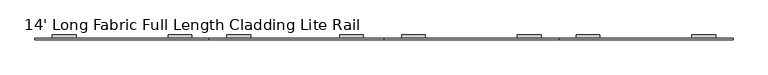
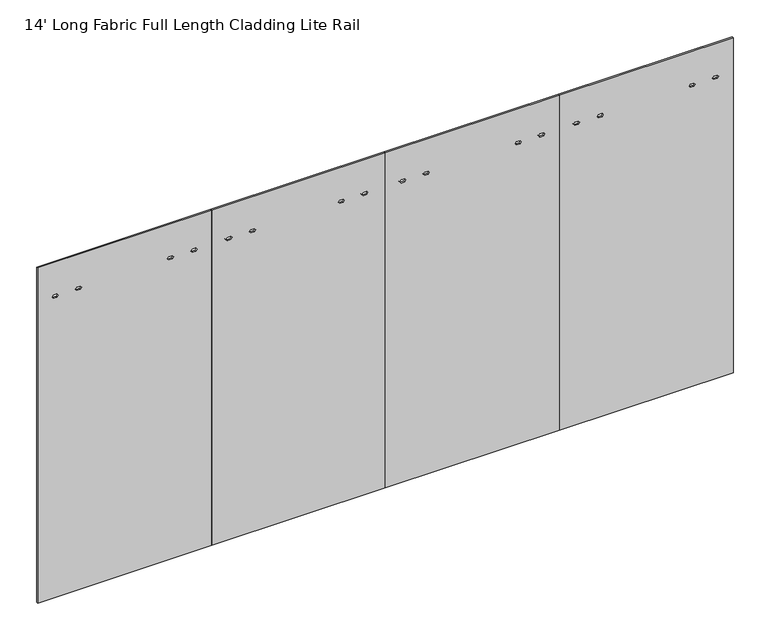
"""IFC4 building model written with IfcOpenShell, lengths in millimetres: furniture geometry, 14' Long Fabric Full Length Cladding Lite Rail."""

import ifcopenshell
import ifcopenshell.guid

model = None  # the IFC model being written
_history = None  # IfcOwnerHistory: only IFC2X3 demands one
_inside = {}  # id of a spatial element -> (the spatial element, [elements in it])
_under = {}  # id of a project, library or spatial element -> (it, [spatial elements below it])
_declared = {}  # id of a project -> (the project, [libraries it declares])
_typed = {}  # id of a type object -> (the type object, [elements of that type])
_made_of = {}  # id of a material, layer set ... -> (it, [elements and type objects made of it])


def new_model(schema):
    """Start an empty IFC model of exactly this schema.

    Asked for "IFC4X3", IfcOpenShell would pick the latest addendum, in which some entities
    have other attributes; the version numbers below select the first issue.
    IFC2X3 requires an IfcOwnerHistory on every rooted entity: one is made here for all.
    """
    global model, _history
    if schema == "IFC4X3":
        model = ifcopenshell.file(schema_version=(4, 3, 0, 0))
    else:
        model = ifcopenshell.file(schema=schema)
    _inside.clear()
    _under.clear()
    _declared.clear()
    _typed.clear()
    _made_of.clear()
    _history = None
    if model.schema == "IFC2X3":
        org = make("IfcOrganization", Name="unknown")
        user = make(
            "IfcPersonAndOrganization",
            ThePerson=make("IfcPerson", FamilyName="unknown"),
            TheOrganization=org,
        )
        app = make(
            "IfcApplication",
            ApplicationDeveloper=org,
            Version="unknown",
            ApplicationFullName="unknown",
            ApplicationIdentifier="unknown",
        )
        _history = make(
            "IfcOwnerHistory",
            OwningUser=user,
            OwningApplication=app,
            ChangeAction="ADDED",
            CreationDate=0,
        )
    return model


def make(cls, **values):
    """One entity of the class cls with the attributes given. An attribute that is None is left unset."""
    return model.create_entity(
        cls, **{name: value for name, value in values.items() if value is not None}
    )


def rooted(cls, **values):
    """An entity with a GlobalId (a new one), such as an element, a storey or a relation."""
    return make(cls, GlobalId=ifcopenshell.guid.new(), OwnerHistory=_history, **values)


def si_unit(unit_type, name, prefix=None):
    """IfcSIUnit, for example si_unit("LENGTHUNIT", "METRE", prefix="MILLI")."""
    return make("IfcSIUnit", UnitType=unit_type, Prefix=prefix, Name=name)


def assignment(units):
    """IfcUnitAssignment: the units of a project."""
    return None if units is None else make("IfcUnitAssignment", Units=units)


def point(xyz):
    """IfcCartesianPoint."""
    return None if xyz is None else make("IfcCartesianPoint", Coordinates=xyz)


def direction(xyz):
    """IfcDirection."""
    return None if xyz is None else make("IfcDirection", DirectionRatios=xyz)


def frame(location, z_axis=None, x_axis=None):
    """IfcAxis2Placement3D, a coordinate frame: its origin and axes. An axis left out is left unset."""
    return make(
        "IfcAxis2Placement3D",
        Location=point(location),
        Axis=direction(z_axis),
        RefDirection=direction(x_axis),
    )


def origin():
    """The frame at (0, 0, 0) with its axes left unset."""
    return frame((0.0, 0.0, 0.0))


def place(relative_to, where):
    """IfcLocalPlacement: puts the frame where relative to a parent placement (None: the world)."""
    return make(
        "IfcLocalPlacement", PlacementRelTo=relative_to, RelativePlacement=where
    )


def context(
    kind, dimensions, precision=None, world=None, true_north=None, identifier=None
):
    """IfcGeometricRepresentationContext, for example the 3D "Model" context."""
    return make(
        "IfcGeometricRepresentationContext",
        ContextIdentifier=identifier,
        ContextType=kind,
        CoordinateSpaceDimension=dimensions,
        Precision=precision,
        WorldCoordinateSystem=world,
        TrueNorth=true_north,
    )


def project(units=None, contexts=None):
    """IfcProject with its units and contexts."""
    return rooted(
        "IfcProject",
        Name="project",
        RepresentationContexts=contexts,
        UnitsInContext=assignment(units),
    )


def spatial(cls, under=None, at=None, **own):
    """A site, building, storey or space (cls), placed at a placement, below another one or the project."""
    s = rooted(cls, ObjectPlacement=at, **own)
    if under is not None:
        _under.setdefault(under.id(), (under, []))[1].append(s)
    return s


def polyline(points):
    """IfcPolyline through the points."""
    return make("IfcPolyline", Points=[point(p) for p in points])


def outline(outer, holes=None, kind="AREA"):
    """IfcArbitraryClosedProfileDef: a profile drawn as a closed curve; with holes, ...WithVoids."""
    if holes is None:
        return make("IfcArbitraryClosedProfileDef", ProfileType=kind, OuterCurve=outer)
    return make(
        "IfcArbitraryProfileDefWithVoids",
        ProfileType=kind,
        OuterCurve=outer,
        InnerCurves=holes,
    )


def extrude(swept, where, along, depth):
    """IfcExtrudedAreaSolid: the profile swept, set in the frame where, extruded along a direction by depth."""
    return make(
        "IfcExtrudedAreaSolid",
        SweptArea=swept,
        Position=where,
        ExtrudedDirection=direction(along),
        Depth=depth,
    )


def shape(context_of_items, identifier, shape_type, items):
    """IfcShapeRepresentation: the items that make up one representation, for example the "Body"."""
    return make(
        "IfcShapeRepresentation",
        ContextOfItems=context_of_items,
        RepresentationIdentifier=identifier,
        RepresentationType=shape_type,
        Items=items,
    )


def source(mapping_origin, context_of_items, identifier, shape_type, items):
    """IfcRepresentationMap: a shape defined once, which mapped items show again and again."""
    return make(
        "IfcRepresentationMap",
        MappingOrigin=mapping_origin,
        MappedRepresentation=shape(context_of_items, identifier, shape_type, items),
    )


def transform(
    local_origin,
    x_axis=None,
    y_axis=None,
    z_axis=None,
    scale=None,
    scale2=None,
    scale3=None,
    uniform=True,
):
    """IfcCartesianTransformationOperator3D, or its non-uniform kind. x_axis, y_axis, z_axis: its Axis1, 2, 3."""
    if uniform:
        return make(
            "IfcCartesianTransformationOperator3D",
            Axis1=direction(x_axis),
            Axis2=direction(y_axis),
            LocalOrigin=point(local_origin),
            Scale=scale,
            Axis3=direction(z_axis),
        )
    return make(
        "IfcCartesianTransformationOperator3DnonUniform",
        Axis1=direction(x_axis),
        Axis2=direction(y_axis),
        LocalOrigin=point(local_origin),
        Scale=scale,
        Axis3=direction(z_axis),
        Scale2=scale2,
        Scale3=scale3,
    )


def mapped(mapping_source, mapping_target):
    """IfcMappedItem: shows the shape of a source again, moved by a transform."""
    return make(
        "IfcMappedItem", MappingSource=mapping_source, MappingTarget=mapping_target
    )


def made_of(thing, what):
    """Note that an element or type object is made of a material, layer set ...; save() writes the relation."""
    if what is not None:
        _made_of.setdefault(what.id(), (what, []))[1].append(thing)
    return thing


def element(
    cls,
    number,
    at=None,
    inside=None,
    cuts=None,
    type_object=None,
    material=None,
    context=None,
    identifier="Body",
    shape_type=None,
    held_by="IfcProductDefinitionShape",
    body=None,
    shapes=None,
    **own,
):
    """One element of the class cls, such as IfcWall. Its Tag is "e" and its number.

    at: its placement. inside: the storey or other place that contains it. cuts: it is an
    opening in that element (IfcRelVoidsElement). A single representation is given by context,
    identifier, shape_type and body (its items); several are given by shapes. held_by: the class
    of the entity that holds the representations. save() writes the other relations.
    """
    e = rooted(cls, Tag="e%d" % number, ObjectPlacement=at, **own)
    if body is not None:
        shapes = [shape(context, identifier, shape_type, body)]
    if shapes is not None:
        e.Representation = make(held_by, Representations=shapes)
    if inside is not None:
        _inside.setdefault(inside.id(), (inside, []))[1].append(e)
    if cuts is not None:
        rooted(
            "IfcRelVoidsElement", RelatingBuildingElement=cuts, RelatedOpeningElement=e
        )
    if type_object is not None:
        _typed.setdefault(type_object.id(), (type_object, []))[1].append(e)
    return made_of(e, material)


def aggregate(whole, parts):
    """IfcRelAggregates: a whole, such as a stair, and the parts it consists of."""
    return rooted("IfcRelAggregates", RelatingObject=whole, RelatedObjects=parts)


def save(model, path):
    """Write the relations noted so far, then the file.

    IfcRelAggregates (storeys below a building ...), IfcRelContainedInSpatialStructure (elements
    in a storey), IfcRelDefinesByType, IfcRelAssociatesMaterial and IfcRelDeclares: one each for
    every whole, place, type object, material and project.
    """
    for whole, parts in _under.values():
        aggregate(whole, parts)
    for where, things in _inside.values():
        rooted(
            "IfcRelContainedInSpatialStructure",
            RelatedElements=things,
            RelatingStructure=where,
        )
    for kind, things in _typed.values():
        rooted("IfcRelDefinesByType", RelatedObjects=things, RelatingType=kind)
    for what, things in _made_of.values():
        rooted("IfcRelAssociatesMaterial", RelatedObjects=things, RelatingMaterial=what)
    for by, libraries in _declared.values():
        rooted("IfcRelDeclares", RelatingContext=by, RelatedDefinitions=libraries)
    model.write(path)


def furniture_14_long_fabric_full_length_cladding_lite_rail_12fab5a1(model_context):
    return source(origin(), model_context, "Body", "SweptSolid", [
        extrude(outline(polyline([(12.7, 2133.6), (12.7, 3200.4), (2186.3010468, 3200.4), (2186.3010468, 2133.6), (12.7, 2133.6)]), holes=[polyline([(1976.39305, 2229.674372), (1976.39305, 2251.6855937), (1966.39815, 2259.7299829), (1956.40325, 2251.6855937), (1956.40325, 2229.674372), (1966.39815, 2221.6299829), (1976.39305, 2229.674372)]), polyline([(1976.39305, 2374.0943722), (1976.39305, 2396.1055938), (1966.39815, 2404.149983), (1956.40325, 2396.1055938), (1956.40325, 2374.0943722), (1966.39815, 2366.049983), (1976.39305, 2374.0943722)]), polyline([(1976.39305, 2937.8944062), (1976.39305, 2959.9056278), (1966.39815, 2967.950017), (1956.40325, 2959.9056278), (1956.40325, 2937.8944062), (1966.39815, 2929.850017), (1976.39305, 2937.8944062)]), polyline([(1976.39305, 3082.3144063), (1976.39305, 3104.325628), (1966.39815, 3112.3700171), (1956.40325, 3104.325628), (1956.40325, 3082.3144063), (1966.39815, 3074.2700171), (1976.39305, 3082.3144063)])]), frame((0.0, -4.7752, 0.0), z_axis=(0.0, 1.0, 0.0), x_axis=(0.0, 0.0, 1.0)), (0.0, 0.0, 1.0), 9.525),
        extrude(outline(polyline([(12.7, 2133.6), (2186.3010468, 2133.6), (2186.3010468, 1066.8), (12.7, 1066.8), (12.7, 2133.6)]), holes=[polyline([(1976.39305, 1162.874372), (1976.39305, 1184.8855937), (1966.39815, 1192.9299829), (1956.40325, 1184.8855937), (1956.40325, 1162.874372), (1966.39815, 1154.8299829), (1976.39305, 1162.874372)]), polyline([(1976.39305, 1307.2943722), (1976.39305, 1329.3055938), (1966.39815, 1337.349983), (1956.40325, 1329.3055938), (1956.40325, 1307.2943722), (1966.39815, 1299.249983), (1976.39305, 1307.2943722)]), polyline([(1976.39305, 1852.0444062), (1976.39305, 1874.0556278), (1966.39815, 1882.100017), (1956.40325, 1874.0556278), (1956.40325, 1852.0444062), (1966.39815, 1844.000017), (1976.39305, 1852.0444062)]), polyline([(1976.39305, 1996.4644063), (1976.39305, 2018.475628), (1966.39815, 2026.5200171), (1956.40325, 2018.475628), (1956.40325, 1996.4644063), (1966.39815, 1988.4200171), (1976.39305, 1996.4644063)])]), frame((0.0, -4.7752, 0.0), z_axis=(0.0, 1.0, 0.0), x_axis=(0.0, 0.0, 1.0)), (0.0, 0.0, 1.0), 9.525),
        extrude(outline(polyline([(12.7, 4267.2), (2186.3010468, 4267.2), (2186.3010468, 3200.4), (12.7, 3200.4), (12.7, 4267.2)]), holes=[polyline([(1976.39305, 3296.474372), (1976.39305, 3318.4855937), (1966.39815, 3326.5299829), (1956.40325, 3318.4855937), (1956.40325, 3296.474372), (1966.39815, 3288.4299829), (1976.39305, 3296.474372)]), polyline([(1976.39305, 3440.8943722), (1976.39305, 3462.9055938), (1966.39815, 3470.949983), (1956.40325, 3462.9055938), (1956.40325, 3440.8943722), (1966.39815, 3432.849983), (1976.39305, 3440.8943722)]), polyline([(1976.39305, 4004.6944062), (1976.39305, 4026.7056278), (1966.39815, 4034.750017), (1956.40325, 4026.7056278), (1956.40325, 4004.6944062), (1966.39815, 3996.650017), (1976.39305, 4004.6944062)]), polyline([(1976.39305, 4149.1144063), (1976.39305, 4171.125628), (1966.39815, 4179.1700171), (1956.40325, 4171.125628), (1956.40325, 4149.1144063), (1966.39815, 4141.0700171), (1976.39305, 4149.1144063)])]), frame((0.0, -4.7752, 0.0), z_axis=(0.0, 1.0, 0.0), x_axis=(0.0, 0.0, 1.0)), (0.0, 0.0, 1.0), 9.525),
        extrude(outline(polyline([(12.7, 0.0), (12.7, 1066.8), (2186.3010468, 1066.8), (2186.3010468, 0.0), (12.7, 0.0)]), holes=[polyline([(1956.40325, 118.0855937), (1956.40325, 96.074372), (1966.39815, 88.0299829), (1976.39305, 96.074372), (1976.39305, 118.0855937), (1966.39815, 126.1299829), (1956.40325, 118.0855937)]), polyline([(1976.39305, 240.4943722), (1976.39305, 262.5055938), (1966.39815, 270.549983), (1956.40325, 262.5055938), (1956.40325, 240.4943722), (1966.39815, 232.449983), (1976.39305, 240.4943722)]), polyline([(1976.39305, 804.2944062), (1976.39305, 826.3056278), (1966.39815, 834.350017), (1956.40325, 826.3056278), (1956.40325, 804.2944062), (1966.39815, 796.250017), (1976.39305, 804.2944062)]), polyline([(1976.39305, 948.7144063), (1976.39305, 970.725628), (1966.39815, 978.7700171), (1956.40325, 970.725628), (1956.40325, 948.7144063), (1966.39815, 940.6700171), (1976.39305, 948.7144063)])]), frame((0.0, -4.7752, 0.0), z_axis=(0.0, 1.0, 0.0), x_axis=(0.0, 0.0, 1.0)), (0.0, 0.0, 1.0), 9.525),
        extrude(outline(polyline([(4.7498, 2116.3226334), (24.8177997, 2116.3226334), (24.8177997, 2115.4106251), (5.6618003, 2115.4106251), (5.6618003, 2083.5286322), (24.8177997, 2083.5286322), (24.8177997, 2079.4995474), (5.6618003, 2079.4995474), (5.6618003, 2013.998531), (4.7498, 2013.998531), (4.7498, 2116.3226334)])), frame((2240.6799829, 0.0, 0.0), z_axis=(1.0, 0.0, 0.0), x_axis=(0.0, 1.0, 0.0)), (0.0, 0.0, 1.0), 144.4200002),
        extrude(outline(polyline([(4.7498, 2116.3226334), (24.8177997, 2116.3226334), (24.8177997, 2115.4106251), (5.6618003, 2115.4106251), (5.6618003, 2083.5286322), (24.8177997, 2083.5286322), (24.8177997, 2079.4995474), (5.6618003, 2079.4995474), (5.6618003, 2013.998531), (4.7498, 2013.998531), (4.7498, 2116.3226334)])), frame((2948.900017, 0.0, 0.0), z_axis=(1.0, 0.0, 0.0), x_axis=(0.0, 1.0, 0.0)), (0.0, 0.0, 1.0), 144.4200002),
        extrude(outline(polyline([(4.7498, 2116.3226334), (24.8177997, 2116.3226334), (24.8177997, 2115.4106251), (5.6618003, 2115.4106251), (5.6618003, 2083.5286322), (24.8177997, 2083.5286322), (24.8177997, 2079.4995474), (5.6618003, 2079.4995474), (5.6618003, 2013.998531), (4.7498, 2013.998531), (4.7498, 2116.3226334)])), frame((3307.4799829, 0.0, 0.0), z_axis=(1.0, 0.0, 0.0), x_axis=(0.0, 1.0, 0.0)), (0.0, 0.0, 1.0), 144.4200002),
        extrude(outline(polyline([(4.7498, 2116.3226334), (24.8177997, 2116.3226334), (24.8177997, 2115.4106251), (5.6618003, 2115.4106251), (5.6618003, 2083.5286322), (24.8177997, 2083.5286322), (24.8177997, 2079.4995474), (5.6618003, 2079.4995474), (5.6618003, 2013.998531), (4.7498, 2013.998531), (4.7498, 2116.3226334)])), frame((1863.050017, 0.0, 0.0), z_axis=(1.0, 0.0, 0.0), x_axis=(0.0, 1.0, 0.0)), (0.0, 0.0, 1.0), 144.4200002),
        extrude(outline(polyline([(4.7498, 2116.3226334), (24.8177997, 2116.3226334), (24.8177997, 2115.4106251), (5.6618003, 2115.4106251), (5.6618003, 2083.5286322), (24.8177997, 2083.5286322), (24.8177997, 2079.4995474), (5.6618003, 2079.4995474), (5.6618003, 2013.998531), (4.7498, 2013.998531), (4.7498, 2116.3226334)])), frame((1173.8799829, 0.0, 0.0), z_axis=(1.0, 0.0, 0.0), x_axis=(0.0, 1.0, 0.0)), (0.0, 0.0, 1.0), 144.4200002),
        extrude(outline(polyline([(4.7498, 2116.3226334), (24.8177997, 2116.3226334), (24.8177997, 2115.4106251), (5.6618003, 2115.4106251), (5.6618003, 2083.5286322), (24.8177997, 2083.5286322), (24.8177997, 2079.4995474), (5.6618003, 2079.4995474), (5.6618003, 2013.998531), (4.7498, 2013.998531), (4.7498, 2116.3226334)])), frame((815.300017, 0.0, 0.0), z_axis=(1.0, 0.0, 0.0), x_axis=(0.0, 1.0, 0.0)), (0.0, 0.0, 1.0), 144.4200002),
        extrude(outline(polyline([(4.7498, 2116.3245525), (24.8177997, 2116.3245525), (24.8177997, 2115.4125443), (5.6618003, 2115.4125443), (5.6618003, 2083.5305513), (24.8177997, 2083.5305513), (24.8177997, 2079.5014665), (5.6618003, 2079.5014665), (5.6618003, 2013.9995483), (4.7498, 2013.9995483), (4.7498, 2116.3245525)])), frame((4015.700017, 0.0, 0.0), z_axis=(1.0, 0.0, 0.0), x_axis=(0.0, 1.0, 0.0)), (0.0, 0.0, 1.0), 144.4200002),
        extrude(outline(polyline([(4.7498, 2116.3226334), (24.8177997, 2116.3226334), (24.8177997, 2115.4106251), (5.6618003, 2115.4106251), (5.6618003, 2083.5286322), (24.8177997, 2083.5286322), (24.8177997, 2079.4995474), (5.6618003, 2079.4995474), (5.6618003, 2013.998531), (4.7498, 2013.998531), (4.7498, 2116.3226334)])), frame((107.0799829, 0.0, 0.0), z_axis=(1.0, 0.0, 0.0), x_axis=(0.0, 1.0, 0.0)), (0.0, 0.0, 1.0), 144.4200002),
    ])


if __name__ == "__main__":
    model = new_model("IFC4")
    model_context = context("Model", 3, world=origin())
    ifc_project = project(units=[si_unit("LENGTHUNIT", "METRE", prefix="MILLI")], contexts=[model_context])
    site = spatial("IfcSite", under=ifc_project)
    building = spatial("IfcBuilding", under=site)
    placement = place(None, origin())
    furniture_14_long_fabric_full_length_cladding_lite_rail_shape = furniture_14_long_fabric_full_length_cladding_lite_rail_12fab5a1(model_context)
    element("IfcFurniture", 1, ObjectType="14' Long Fabric Full Length Cladding Lite Rail", at=placement, inside=building, context=model_context, shape_type="MappedRepresentation", body=[
        mapped(furniture_14_long_fabric_full_length_cladding_lite_rail_shape, transform((0.0, 0.0, 0.0), x_axis=(1.0, 0.0, 0.0), y_axis=(0.0, 1.0, 0.0), z_axis=(0.0, 0.0, 1.0))),
    ])
    save(model, "model.ifc")
